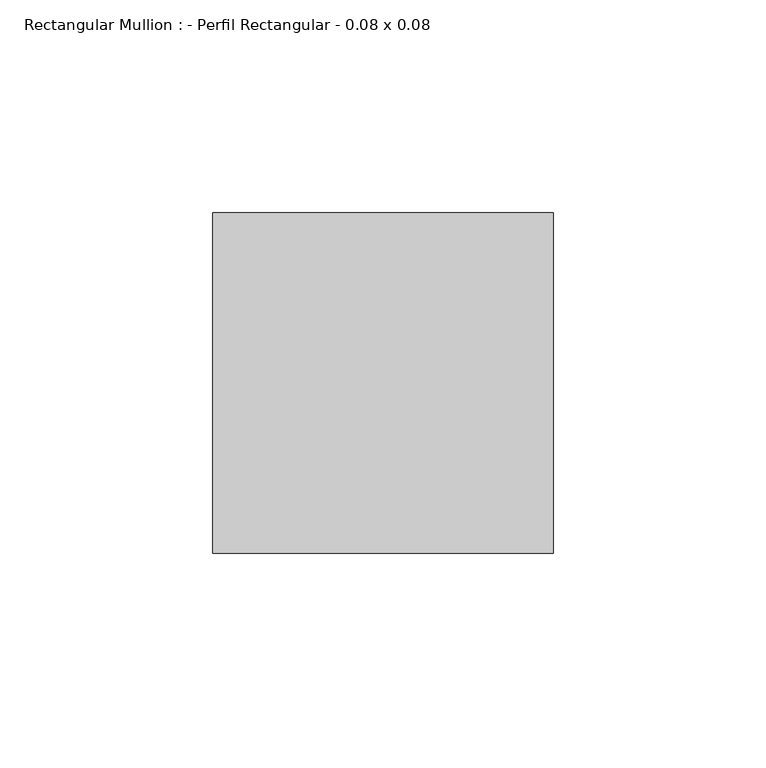
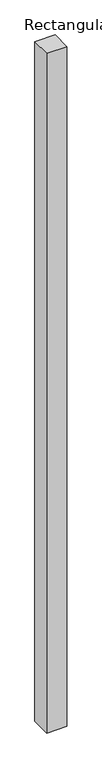
"""IFC4 building model written with IfcOpenShell, lengths in millimetres: member geometry, Rectangular Mullion : - Perfil Rectangular - 0.08 x 0.08."""

import ifcopenshell
import ifcopenshell.guid

model = None  # the IFC model being written
_history = None  # IfcOwnerHistory: only IFC2X3 demands one
_inside = {}  # id of a spatial element -> (the spatial element, [elements in it])
_under = {}  # id of a project, library or spatial element -> (it, [spatial elements below it])
_declared = {}  # id of a project -> (the project, [libraries it declares])
_typed = {}  # id of a type object -> (the type object, [elements of that type])
_made_of = {}  # id of a material, layer set ... -> (it, [elements and type objects made of it])


def new_model(schema):
    """Start an empty IFC model of exactly this schema.

    Asked for "IFC4X3", IfcOpenShell would pick the latest addendum, in which some entities
    have other attributes; the version numbers below select the first issue.
    IFC2X3 requires an IfcOwnerHistory on every rooted entity: one is made here for all.
    """
    global model, _history
    if schema == "IFC4X3":
        model = ifcopenshell.file(schema_version=(4, 3, 0, 0))
    else:
        model = ifcopenshell.file(schema=schema)
    _inside.clear()
    _under.clear()
    _declared.clear()
    _typed.clear()
    _made_of.clear()
    _history = None
    if model.schema == "IFC2X3":
        org = make("IfcOrganization", Name="unknown")
        user = make(
            "IfcPersonAndOrganization",
            ThePerson=make("IfcPerson", FamilyName="unknown"),
            TheOrganization=org,
        )
        app = make(
            "IfcApplication",
            ApplicationDeveloper=org,
            Version="unknown",
            ApplicationFullName="unknown",
            ApplicationIdentifier="unknown",
        )
        _history = make(
            "IfcOwnerHistory",
            OwningUser=user,
            OwningApplication=app,
            ChangeAction="ADDED",
            CreationDate=0,
        )
    return model


def make(cls, **values):
    """One entity of the class cls with the attributes given. An attribute that is None is left unset."""
    return model.create_entity(
        cls, **{name: value for name, value in values.items() if value is not None}
    )


def rooted(cls, **values):
    """An entity with a GlobalId (a new one), such as an element, a storey or a relation."""
    return make(cls, GlobalId=ifcopenshell.guid.new(), OwnerHistory=_history, **values)


def si_unit(unit_type, name, prefix=None):
    """IfcSIUnit, for example si_unit("LENGTHUNIT", "METRE", prefix="MILLI")."""
    return make("IfcSIUnit", UnitType=unit_type, Prefix=prefix, Name=name)


def assignment(units):
    """IfcUnitAssignment: the units of a project."""
    return None if units is None else make("IfcUnitAssignment", Units=units)


def point(xyz):
    """IfcCartesianPoint."""
    return None if xyz is None else make("IfcCartesianPoint", Coordinates=xyz)


def direction(xyz):
    """IfcDirection."""
    return None if xyz is None else make("IfcDirection", DirectionRatios=xyz)


def frame(location, z_axis=None, x_axis=None):
    """IfcAxis2Placement3D, a coordinate frame: its origin and axes. An axis left out is left unset."""
    return make(
        "IfcAxis2Placement3D",
        Location=point(location),
        Axis=direction(z_axis),
        RefDirection=direction(x_axis),
    )


def origin():
    """The frame at (0, 0, 0) with its axes left unset."""
    return frame((0.0, 0.0, 0.0))


def place(relative_to, where):
    """IfcLocalPlacement: puts the frame where relative to a parent placement (None: the world)."""
    return make(
        "IfcLocalPlacement", PlacementRelTo=relative_to, RelativePlacement=where
    )


def context(
    kind, dimensions, precision=None, world=None, true_north=None, identifier=None
):
    """IfcGeometricRepresentationContext, for example the 3D "Model" context."""
    return make(
        "IfcGeometricRepresentationContext",
        ContextIdentifier=identifier,
        ContextType=kind,
        CoordinateSpaceDimension=dimensions,
        Precision=precision,
        WorldCoordinateSystem=world,
        TrueNorth=true_north,
    )


def project(units=None, contexts=None):
    """IfcProject with its units and contexts."""
    return rooted(
        "IfcProject",
        Name="project",
        RepresentationContexts=contexts,
        UnitsInContext=assignment(units),
    )


def spatial(cls, under=None, at=None, **own):
    """A site, building, storey or space (cls), placed at a placement, below another one or the project."""
    s = rooted(cls, ObjectPlacement=at, **own)
    if under is not None:
        _under.setdefault(under.id(), (under, []))[1].append(s)
    return s


def polyline(points):
    """IfcPolyline through the points."""
    return make("IfcPolyline", Points=[point(p) for p in points])


def outline(outer, holes=None, kind="AREA"):
    """IfcArbitraryClosedProfileDef: a profile drawn as a closed curve; with holes, ...WithVoids."""
    if holes is None:
        return make("IfcArbitraryClosedProfileDef", ProfileType=kind, OuterCurve=outer)
    return make(
        "IfcArbitraryProfileDefWithVoids",
        ProfileType=kind,
        OuterCurve=outer,
        InnerCurves=holes,
    )


def extrude(swept, where, along, depth):
    """IfcExtrudedAreaSolid: the profile swept, set in the frame where, extruded along a direction by depth."""
    return make(
        "IfcExtrudedAreaSolid",
        SweptArea=swept,
        Position=where,
        ExtrudedDirection=direction(along),
        Depth=depth,
    )


def shape(context_of_items, identifier, shape_type, items):
    """IfcShapeRepresentation: the items that make up one representation, for example the "Body"."""
    return make(
        "IfcShapeRepresentation",
        ContextOfItems=context_of_items,
        RepresentationIdentifier=identifier,
        RepresentationType=shape_type,
        Items=items,
    )


def source(mapping_origin, context_of_items, identifier, shape_type, items):
    """IfcRepresentationMap: a shape defined once, which mapped items show again and again."""
    return make(
        "IfcRepresentationMap",
        MappingOrigin=mapping_origin,
        MappedRepresentation=shape(context_of_items, identifier, shape_type, items),
    )


def transform(
    local_origin,
    x_axis=None,
    y_axis=None,
    z_axis=None,
    scale=None,
    scale2=None,
    scale3=None,
    uniform=True,
):
    """IfcCartesianTransformationOperator3D, or its non-uniform kind. x_axis, y_axis, z_axis: its Axis1, 2, 3."""
    if uniform:
        return make(
            "IfcCartesianTransformationOperator3D",
            Axis1=direction(x_axis),
            Axis2=direction(y_axis),
            LocalOrigin=point(local_origin),
            Scale=scale,
            Axis3=direction(z_axis),
        )
    return make(
        "IfcCartesianTransformationOperator3DnonUniform",
        Axis1=direction(x_axis),
        Axis2=direction(y_axis),
        LocalOrigin=point(local_origin),
        Scale=scale,
        Axis3=direction(z_axis),
        Scale2=scale2,
        Scale3=scale3,
    )


def mapped(mapping_source, mapping_target):
    """IfcMappedItem: shows the shape of a source again, moved by a transform."""
    return make(
        "IfcMappedItem", MappingSource=mapping_source, MappingTarget=mapping_target
    )


def made_of(thing, what):
    """Note that an element or type object is made of a material, layer set ...; save() writes the relation."""
    if what is not None:
        _made_of.setdefault(what.id(), (what, []))[1].append(thing)
    return thing


def element(
    cls,
    number,
    at=None,
    inside=None,
    cuts=None,
    type_object=None,
    material=None,
    context=None,
    identifier="Body",
    shape_type=None,
    held_by="IfcProductDefinitionShape",
    body=None,
    shapes=None,
    **own,
):
    """One element of the class cls, such as IfcWall. Its Tag is "e" and its number.

    at: its placement. inside: the storey or other place that contains it. cuts: it is an
    opening in that element (IfcRelVoidsElement). A single representation is given by context,
    identifier, shape_type and body (its items); several are given by shapes. held_by: the class
    of the entity that holds the representations. save() writes the other relations.
    """
    e = rooted(cls, Tag="e%d" % number, ObjectPlacement=at, **own)
    if body is not None:
        shapes = [shape(context, identifier, shape_type, body)]
    if shapes is not None:
        e.Representation = make(held_by, Representations=shapes)
    if inside is not None:
        _inside.setdefault(inside.id(), (inside, []))[1].append(e)
    if cuts is not None:
        rooted(
            "IfcRelVoidsElement", RelatingBuildingElement=cuts, RelatedOpeningElement=e
        )
    if type_object is not None:
        _typed.setdefault(type_object.id(), (type_object, []))[1].append(e)
    return made_of(e, material)


def aggregate(whole, parts):
    """IfcRelAggregates: a whole, such as a stair, and the parts it consists of."""
    return rooted("IfcRelAggregates", RelatingObject=whole, RelatedObjects=parts)


def save(model, path):
    """Write the relations noted so far, then the file.

    IfcRelAggregates (storeys below a building ...), IfcRelContainedInSpatialStructure (elements
    in a storey), IfcRelDefinesByType, IfcRelAssociatesMaterial and IfcRelDeclares: one each for
    every whole, place, type object, material and project.
    """
    for whole, parts in _under.values():
        aggregate(whole, parts)
    for where, things in _inside.values():
        rooted(
            "IfcRelContainedInSpatialStructure",
            RelatedElements=things,
            RelatingStructure=where,
        )
    for kind, things in _typed.values():
        rooted("IfcRelDefinesByType", RelatedObjects=things, RelatingType=kind)
    for what, things in _made_of.values():
        rooted("IfcRelAssociatesMaterial", RelatedObjects=things, RelatingMaterial=what)
    for by, libraries in _declared.values():
        rooted("IfcRelDeclares", RelatingContext=by, RelatedDefinitions=libraries)
    model.write(path)


def rectangular_mullion_perfil_rectangular_0_08_x_0_08_d17c3f90(model_context):
    return source(origin(), model_context, "Body", "SweptSolid", [
        extrude(outline(polyline([(0.0, 80.0), (0.0, 0.0), (-80.0, 0.0), (-80.0, 80.0), (0.0, 80.0)])), frame((0.0, 0.0, -2840.0), z_axis=(0.0, 0.0, 1.0), x_axis=(1.0, 0.0, 0.0)), (0.0, 0.0, 1.0), 2840.0),
    ])


if __name__ == "__main__":
    model = new_model("IFC4")
    model_context = context("Model", 3, world=origin())
    ifc_project = project(units=[si_unit("LENGTHUNIT", "METRE", prefix="MILLI")], contexts=[model_context])
    site = spatial("IfcSite", under=ifc_project)
    building = spatial("IfcBuilding", under=site)
    placement = place(None, origin())
    rectangular_mullion_perfil_rectangular_0_08_x_0_08_shape = rectangular_mullion_perfil_rectangular_0_08_x_0_08_d17c3f90(model_context)
    element("IfcMember", 1, ObjectType="Rectangular Mullion : - Perfil Rectangular - 0.08 x 0.08", at=placement, inside=building, context=model_context, shape_type="MappedRepresentation", body=[
        mapped(rectangular_mullion_perfil_rectangular_0_08_x_0_08_shape, transform((0.0, 0.0, 0.0), x_axis=(1.0, 0.0, 0.0), y_axis=(0.0, 1.0, 0.0), z_axis=(0.0, 0.0, 1.0))),
    ])
    save(model, "model.ifc")
